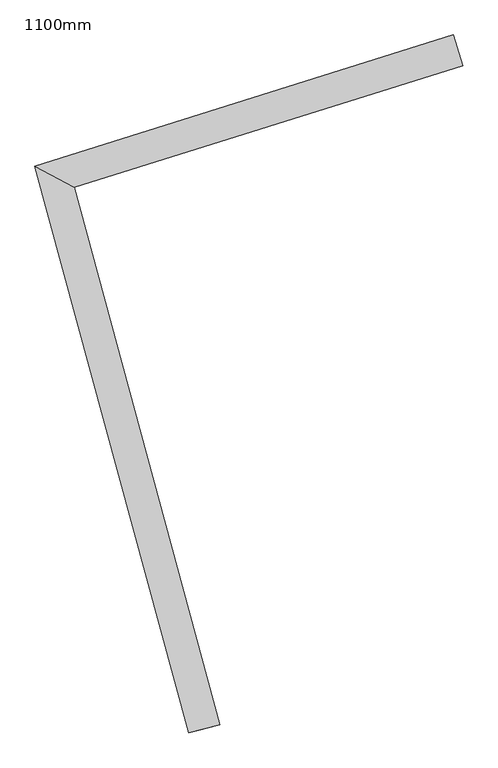
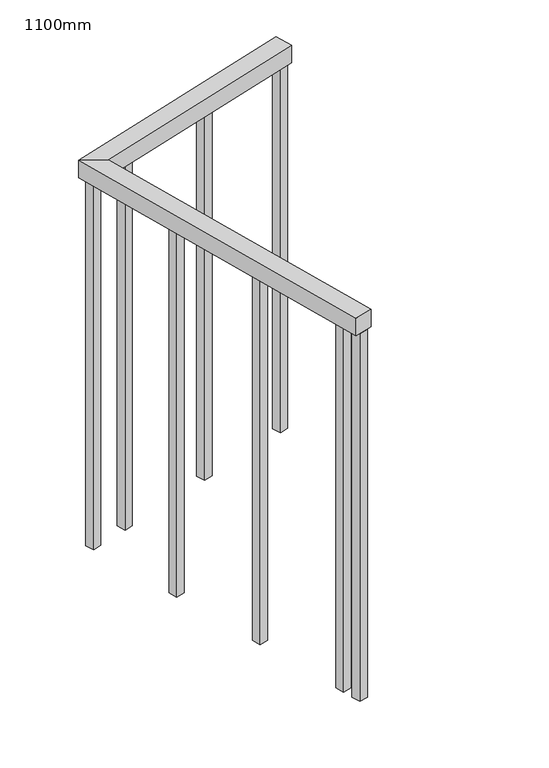
"""IFC4 building model written with IfcOpenShell, lengths in millimetres: railing geometry, 1100mm."""

from ifc_helpers import new_model, si_unit, frame, origin, place, context, project, spatial, polyline, outline, extrude, faceted_brep, source, transform, mapped, element, save


def railing_1100mm_f5c68af9(model_context):
    return source(origin(), model_context, "Body", "SolidModel", [
        faceted_brep([(180951.1551832, 38292.1045913, 1700.0), (180951.1551832, 38292.1045913, 1650.0), (180936.1932892, 38339.8135184, 1650.0), (180936.1932892, 38339.8135184, 1700.0), (180284.949596, 38135.5783851, 1700.0), (180345.8180718, 38102.2661223, 1700.0), (180284.949596, 38135.5783851, 1650.0), (180345.8180718, 38102.2661223, 1650.0), (180573.1147607, 37266.0166627, 1700.0), (180524.8652901, 37252.9022208, 1700.0), (180524.8652901, 37252.9022208, 1650.0), (180573.1147607, 37266.0166627, 1650.0)], [[[0, 1, 2, 3]], [[0, 3, 4, 5]], [[3, 2, 6, 4]], [[2, 1, 7, 6]], [[1, 0, 5, 7]], [[8, 9, 10, 11]], [[5, 4, 9, 8]], [[4, 6, 10, 9]], [[6, 7, 11, 10]], [[7, 5, 8, 11]]]),
        extrude(outline(polyline([(180540.5558817, 37338.1469666), (180547.1131026, 37314.0222313), (180522.9883673, 37307.4650104), (180516.4311464, 37331.5897457), (180540.5558817, 37338.1469666)])), frame((0.0, 0.0, 600.0), z_axis=(0.0, 0.0, 1.0), x_axis=(1.0, 0.0, 0.0)), (0.0, 0.0, 1.0), 1050.0),
        extrude(outline(polyline([(180468.4264515, 37603.519055), (180474.9836724, 37579.3943197), (180450.8589371, 37572.8370988), (180444.3017162, 37596.9618341), (180468.4264515, 37603.519055)])), frame((0.0, 0.0, 600.0), z_axis=(0.0, 0.0, 1.0), x_axis=(1.0, 0.0, 0.0)), (0.0, 0.0, 1.0), 1050.0),
        extrude(outline(polyline([(180396.2970213, 37868.8911434), (180402.8542422, 37844.7664081), (180378.7295069, 37838.2091872), (180372.172286, 37862.3339225), (180396.2970213, 37868.8911434)])), frame((0.0, 0.0, 600.0), z_axis=(0.0, 0.0, 1.0), x_axis=(1.0, 0.0, 0.0)), (0.0, 0.0, 1.0), 1050.0),
        extrude(outline(polyline([(180434.543743, 38143.1914628), (180410.6892794, 38135.7105158), (180403.2083324, 38159.5649793), (180427.062796, 38167.0459263), (180434.543743, 38143.1914628)])), frame((0.0, 0.0, 600.0), z_axis=(0.0, 0.0, 1.0), x_axis=(1.0, 0.0, 0.0)), (0.0, 0.0, 1.0), 1050.0),
        extrude(outline(polyline([(180696.9428422, 38225.4818797), (180673.0883786, 38218.0009327), (180665.6074316, 38241.8553962), (180689.4618952, 38249.3363432), (180696.9428422, 38225.4818797)])), frame((0.0, 0.0, 600.0), z_axis=(0.0, 0.0, 1.0), x_axis=(1.0, 0.0, 0.0)), (0.0, 0.0, 1.0), 1050.0),
        extrude(outline(polyline([(180331.0515392, 38110.7354954), (180307.1970756, 38103.2545484), (180299.7161286, 38127.109012), (180323.5705922, 38134.589959), (180331.0515392, 38110.7354954)])), frame((0.0, 0.0, 600.0), z_axis=(0.0, 0.0, 1.0), x_axis=(1.0, 0.0, 0.0)), (0.0, 0.0, 1.0), 1050.0),
        extrude(outline(polyline([(180554.4951721, 37286.8627875), (180561.052393, 37262.7380522), (180536.9276577, 37256.1808313), (180530.3704368, 37280.3055666), (180554.4951721, 37286.8627875)])), frame((0.0, 0.0, 600.0), z_axis=(0.0, 0.0, 1.0), x_axis=(1.0, 0.0, 0.0)), (0.0, 0.0, 1.0), 1050.0),
        extrude(outline(polyline([(180947.4147097, 38304.0318231), (180923.5602461, 38296.5508761), (180916.0792991, 38320.4053397), (180939.9337627, 38327.8862867), (180947.4147097, 38304.0318231)])), frame((0.0, 0.0, 600.0), z_axis=(0.0, 0.0, 1.0), x_axis=(1.0, 0.0, 0.0)), (0.0, 0.0, 1.0), 1050.0),
    ])


if __name__ == "__main__":
    model = new_model("IFC4")
    model_context = context("Model", 3, world=origin())
    ifc_project = project(units=[si_unit("LENGTHUNIT", "METRE", prefix="MILLI")], contexts=[model_context])
    site = spatial("IfcSite", under=ifc_project)
    building = spatial("IfcBuilding", under=site)
    placement = place(None, origin())
    railing_1100mm_shape = railing_1100mm_f5c68af9(model_context)
    element("IfcRailing", 1, ObjectType="1100mm", at=placement, inside=building, context=model_context, shape_type="MappedRepresentation", body=[
        mapped(railing_1100mm_shape, transform((0.0, 0.0, 0.0), x_axis=(1.0, 0.0, 0.0), y_axis=(0.0, 1.0, 0.0), z_axis=(0.0, 0.0, 1.0))),
    ])
    save(model, "model.ifc")
